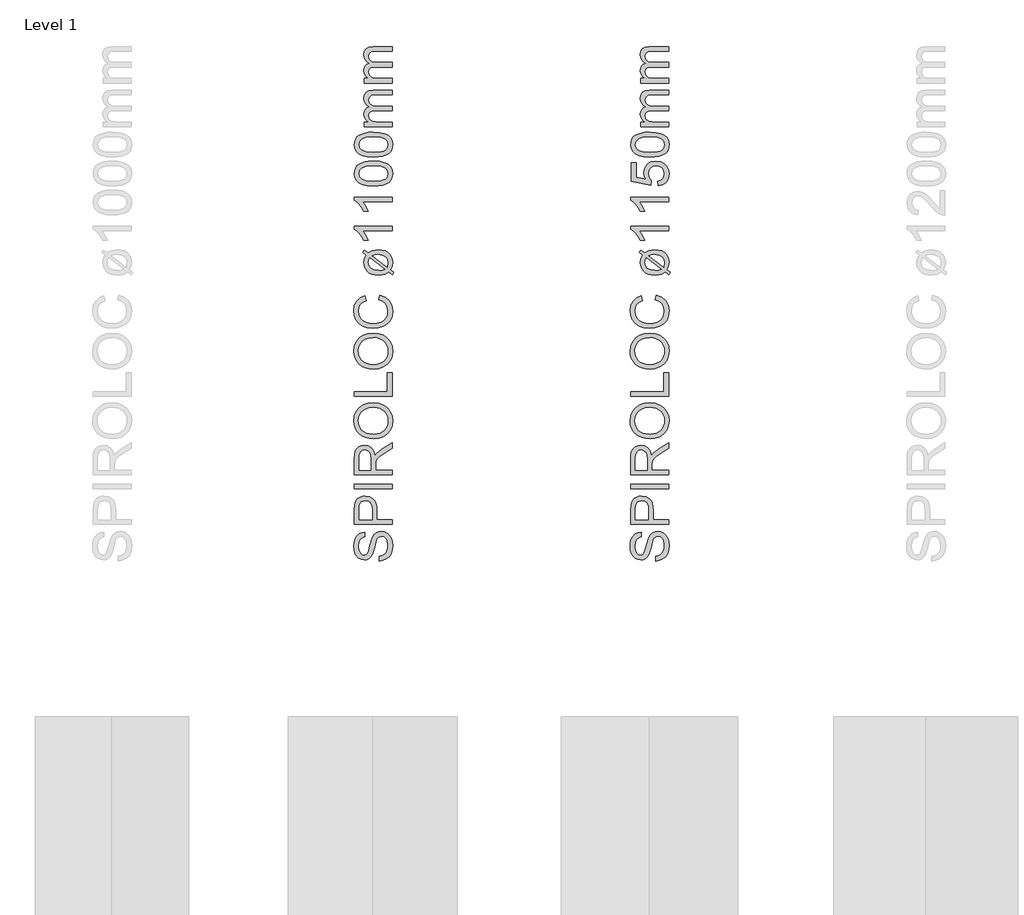
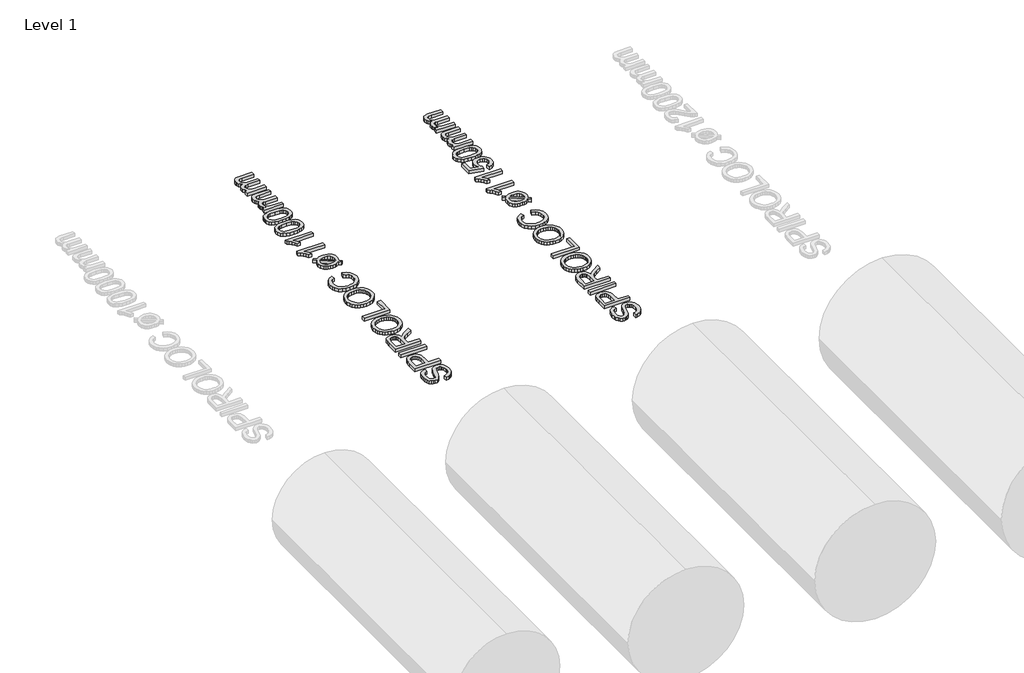
# One storey, part 14 of 19: 2 proxies.
"""IFC4 building model written with IfcOpenShell, lengths in millimetres."""

from ifc_helpers import new_model, si_unit, origin, origin_with_axes, place, context, project, spatial, polyline, outline, extrude, element, save

model = new_model("IFC4")

# Units and contexts
model_context = context("Model", 3, world=origin())
ifc_project = project(units=[si_unit("LENGTHUNIT", "METRE", prefix="MILLI")], contexts=[model_context])

# Site, building, storey
site = spatial("IfcSite", under=ifc_project)
building = spatial("IfcBuilding", under=site)
storey = spatial("IfcBuildingStorey", under=building, Name="Level 1", Elevation=0.0)

# Proxies
placement = place(None, origin())
element("IfcBuildingElementProxy", 1, Name="250mm", ObjectType="250mm", at=placement, inside=storey, context=model_context, shape_type="SweptSolid", body=[
    extrude(outline(polyline([(7188.3043383, 11932.8312074), (7188.3043383, 11963.6004382), (7205.3791581, 11967.1310873), (7219.1036172, 11973.5163036), (7229.9960451, 11983.4772411), (7238.574771, 11997.7350536), (7244.1411773, 12015.1629382), (7245.996646, 12034.6340921), (7240.3776557, 12066.7855344), (7233.7069826, 12078.9474935), (7224.9329441, 12087.5487555), (7214.8593263, 12092.6644406), (7204.2899153, 12094.369669), (7185.0891941, 12089.2614959), (7177.4945427, 12081.479044), (7171.1168383, 12068.3480344), (7159.3680403, 12023.5463517), (7144.1937614, 11975.3191882), (7133.8421989, 11960.002181), (7121.2971268, 11949.1473132), (7106.8289778, 11942.6794647), (7090.7081845, 11940.5235151), (7072.6868504, 11943.190282), (7055.8824633, 11951.1905824), (7041.6396749, 11964.31408), (7031.3031364, 11982.3504382), (7025.0155763, 12004.0000776), (7022.919723, 12027.963419), (7025.1132326, 12053.9249574), (7031.6937614, 12076.6413036), (7042.5260932, 12095.3011594), (7057.4750114, 12109.0932267), (7075.6090258, 12117.822193), (7095.996646, 12121.2927459), (7095.996646, 12090.5235151), (7077.637271, 12084.8744767), (7064.3860691, 12073.0956305), (7056.3632326, 12054.6911834), (7053.6889537, 12029.1653421), (7056.3331845, 12003.0385392), (7064.2658768, 11985.1148613), (7075.9395547, 11974.7482748), (7089.8067422, 11971.2927459), (7101.6306605, 11973.7416642), (7111.1408768, 11981.088419), (7119.6444826, 11998.4562074), (7128.3283768, 12031.3288036), (7143.7730883, 12085.775919), (7154.9359489, 12103.3164839), (7168.7129922, 12115.5535632), (7184.9539778, 12122.7425656), (7203.5086653, 12125.1388998), (7222.4765138, 12122.3819887), (7240.3175595, 12114.1112555), (7255.6721268, 12100.6647411), (7267.1805403, 12082.3804863), (7274.3695427, 12060.392806), (7276.7658768, 12035.8360151), (7274.1817422, 12005.690282), (7266.4293383, 11980.8780824), (7253.4786172, 11961.1139599), (7235.2995307, 11946.1124574), (7213.154098, 11936.4820488), (7188.3043383, 11932.8312074)])), origin_with_axes(), (0.0, 0.0, 1.0), 30.0),
    extrude(outline(polyline([(7272.919723, 12171.2927459), (7026.7658768, 12171.2927459), (7026.7658768, 12262.5187074), (7029.1096268, 12299.2975536), (7033.489134, 12315.6962916), (7040.6180403, 12329.1953901), (7050.8193624, 12340.065282), (7064.4161172, 12348.5763998), (7080.4542783, 12354.0751978), (7097.9798191, 12355.9081305), (7126.9912374, 12350.9577099), (7151.1649153, 12336.1064478), (7160.6826436, 12324.2130434), (7167.481021, 12308.3345127), (7171.5600475, 12288.4708559), (7172.919723, 12264.6220728), (7172.919723, 12202.0619767), (7272.919723, 12202.0619767), (7272.919723, 12171.2927459)]), holes=[polyline([(7142.1504922, 12202.0619767), (7142.1504922, 12266.4249574), (7139.325973, 12293.7086113), (7130.8524153, 12311.7374574), (7117.2556605, 12321.7885392), (7099.0615499, 12325.1388998), (7085.2394345, 12323.1632387), (7073.5807807, 12317.2362555), (7064.8067422, 12308.0941281), (7059.638473, 12296.4730344), (7057.5351076, 12265.7038036), (7057.5351076, 12202.0619767), (7142.1504922, 12202.0619767)])]), origin_with_axes(), (0.0, 0.0, 1.0), 30.0),
    extrude(outline(polyline([(7272.919723, 12402.0619767), (7026.7658768, 12402.0619767), (7026.7658768, 12432.8312074), (7272.919723, 12432.8312074), (7272.919723, 12402.0619767)])), origin_with_axes(), (0.0, 0.0, 1.0), 30.0),
    extrude(outline(polyline([(7272.919723, 12494.369669), (7026.7658768, 12494.369669), (7026.7658768, 12600.4393805), (7028.4260331, 12628.9474935), (7033.4065018, 12649.6881786), (7042.6012133, 12664.8474334), (7056.904098, 12676.6112555), (7074.6399754, 12684.1608349), (7094.1336653, 12686.6773613), (7118.3824633, 12682.5081906), (7138.4846268, 12670.0006786), (7153.2232085, 12648.7792243), (7161.3812614, 12618.4682267), (7174.5423191, 12635.9562074), (7206.2129922, 12660.8961113), (7272.919723, 12701.9417844), (7272.919723, 12666.1845728), (7221.8980883, 12634.1533228), (7188.1240499, 12611.0163036), (7172.168521, 12594.760294), (7166.309146, 12580.1268805), (7165.2274153, 12562.2783228), (7165.2274153, 12525.1388998), (7272.919723, 12525.1388998), (7272.919723, 12494.369669)]), holes=[polyline([(7134.4581845, 12525.1388998), (7134.4581845, 12594.0090921), (7130.1012133, 12629.135294), (7124.4371508, 12640.6887796), (7116.1589057, 12649.0872171), (7106.145384, 12654.2029022), (7095.2754922, 12655.9081305), (7080.2664778, 12652.6554262), (7068.1721268, 12642.8973132), (7060.1943624, 12626.1079502), (7057.5351076, 12601.7614959), (7057.5351076, 12525.1388998), (7134.4581845, 12525.1388998)])]), origin_with_axes(), (0.0, 0.0, 1.0), 30.0),
    extrude(outline(polyline([(7153.0879922, 12728.9850536), (7124.2155463, 12731.0358349), (7098.6559008, 12737.1881786), (7076.4090559, 12747.4420849), (7057.4750114, 12761.7975536), (7042.3570727, 12779.3944587), (7031.5585451, 12799.3726738), (7025.0794285, 12821.732199), (7022.919723, 12846.4730344), (7026.9762133, 12878.759693), (7039.1456845, 12907.7110151), (7058.5717662, 12931.7494767), (7084.3980883, 12949.2975536), (7115.3776557, 12960.0247171), (7150.263473, 12963.6004382), (7185.6150355, 12959.8369166), (7217.0302999, 12948.5463517), (7242.9016941, 12930.3522411), (7261.621646, 12905.8780824), (7272.9798191, 12877.174657), (7276.7658768, 12846.2927459), (7272.5816821, 12813.510294), (7260.029098, 12784.3937074), (7240.2424393, 12760.4153421), (7214.356021, 12743.0475536), (7184.5708648, 12732.5006786), (7153.0879922, 12728.9850536)]), holes=[polyline([(7153.388473, 12759.7542844), (7173.7873612, 12761.2923703), (7191.8950835, 12765.9066281), (7207.71164, 12773.5970578), (7221.2370307, 12784.3636594), (7232.0693624, 12797.4514749), (7239.8067422, 12812.1055464), (7244.4491701, 12828.3258739), (7245.996646, 12846.1124574), (7244.434146, 12864.2032778), (7239.746646, 12880.6151618), (7231.934146, 12895.3481095), (7220.996646, 12908.4021209), (7207.1857987, 12919.0898463), (7190.7532566, 12926.7239358), (7171.6990198, 12931.3043895), (7150.0230883, 12932.8312074), (7122.7845066, 12930.2170248), (7099.2418383, 12922.3744767), (7079.9885331, 12909.5063877), (7065.6180403, 12891.8155824), (7056.6712254, 12870.4739358), (7053.6889537, 12846.6533228), (7059.4356484, 12813.5553661), (7076.6757326, 12785.4153421), (7090.0903209, 12774.1886293), (7107.3473071, 12766.1695488), (7128.4466911, 12761.3581005), (7153.388473, 12759.7542844)])]), origin_with_axes(), (0.0, 0.0, 1.0), 30.0),
    extrude(outline(polyline([(7272.919723, 13005.9081305), (7026.7658768, 13005.9081305), (7026.7658768, 13036.6773613), (7242.1504922, 13036.6773613), (7242.1504922, 13159.7542844), (7272.919723, 13159.7542844), (7272.919723, 13005.9081305)])), origin_with_axes(), (0.0, 0.0, 1.0), 30.0),
    extrude(outline(polyline([(7153.0879922, 13182.8312074), (7124.2155463, 13184.8819887), (7098.6559008, 13191.0343324), (7076.4090559, 13201.2882387), (7057.4750114, 13215.6437074), (7042.3570727, 13233.2406125), (7031.5585451, 13253.2188276), (7025.0794285, 13275.5783529), (7022.919723, 13300.3191882), (7026.9762133, 13332.6058469), (7039.1456845, 13361.557169), (7058.5717662, 13385.5956305), (7084.3980883, 13403.1437074), (7115.3776557, 13413.8708709), (7150.263473, 13417.4465921), (7185.6150355, 13413.6830704), (7217.0302999, 13402.3925055), (7242.9016941, 13384.1983949), (7261.621646, 13359.7242363), (7272.9798191, 13331.0208108), (7276.7658768, 13300.1388998), (7272.5816821, 13267.3564478), (7260.029098, 13238.2398613), (7240.2424393, 13214.2614959), (7214.356021, 13196.8937074), (7184.5708648, 13186.3468324), (7153.0879922, 13182.8312074)]), holes=[polyline([(7153.388473, 13213.6004382), (7173.7873612, 13215.1385242), (7191.8950835, 13219.752782), (7207.71164, 13227.4432117), (7221.2370307, 13238.2098132), (7232.0693624, 13251.2976287), (7239.8067422, 13265.9517002), (7244.4491701, 13282.1720278), (7245.996646, 13299.9586113), (7244.434146, 13318.0494316), (7239.746646, 13334.4613156), (7231.934146, 13349.1942633), (7220.996646, 13362.2482748), (7207.1857987, 13372.9360001), (7190.7532566, 13380.5700897), (7171.6990198, 13385.1505434), (7150.0230883, 13386.6773613), (7122.7845066, 13384.0631786), (7099.2418383, 13376.2206305), (7079.9885331, 13363.3525416), (7065.6180403, 13345.6617363), (7056.6712254, 13324.3200897), (7053.6889537, 13300.4994767), (7059.4356484, 13267.4015199), (7076.6757326, 13239.2614959), (7090.0903209, 13228.0347832), (7107.3473071, 13220.0157026), (7128.4466911, 13215.2042543), (7153.388473, 13213.6004382)])]), origin_with_axes(), (0.0, 0.0, 1.0), 30.0),
    extrude(outline(polyline([(7185.419723, 13632.8312074), (7193.3524153, 13663.6004382), (7229.2072831, 13649.4027219), (7255.4016941, 13627.1220728), (7271.4248311, 13597.8552459), (7276.7658768, 13562.6989959), (7272.7244105, 13527.0093925), (7260.6000114, 13498.666544), (7240.8133528, 13476.9417844), (7213.7851076, 13461.1064478), (7182.0092662, 13451.4384791), (7147.9798191, 13448.2158228), (7112.0873912, 13451.8591522), (7081.0927999, 13462.7891401), (7055.9801196, 13480.4348733), (7037.7334249, 13504.2254382), (7026.6231484, 13532.4405824), (7022.919723, 13563.3600536), (7027.7123912, 13597.096532), (7042.090396, 13624.9886594), (7065.1673191, 13646.1650416), (7096.0567422, 13659.7542844), (7103.388473, 13628.9850536), (7080.9500715, 13618.3179863), (7065.5579441, 13603.744669), (7056.6562013, 13585.0848132), (7053.6889537, 13562.1581305), (7056.9792182, 13535.7308469), (7066.8500114, 13514.0211113), (7082.2646749, 13497.5472531), (7102.1865499, 13486.8276017), (7124.7075835, 13480.9456906), (7147.919723, 13478.9850536), (7176.3452037, 13481.3062675), (7200.9245307, 13488.2699094), (7220.7187013, 13500.1388998), (7234.7887133, 13517.1761594), (7243.1946629, 13537.6013397), (7245.996646, 13559.6340921), (7242.1805403, 13585.3176858), (7230.732223, 13606.7194286), (7211.7718864, 13622.877782), (7185.419723, 13632.8312074)])), origin_with_axes(), (0.0, 0.0, 1.0), 30.0),
    extrude(outline(polyline([(7105.8524153, 13924.8985151), (7081.5735691, 13943.2879382), (7092.7514537, 13957.9513998), (7118.1721268, 13938.6605344), (7144.434146, 13954.1653421), (7183.6168383, 13959.7542844), (7207.1595066, 13958.0077399), (7227.3668383, 13952.7681065), (7244.2388335, 13944.0353841), (7257.7754922, 13931.8095728), (7272.0182807, 13906.8245969), (7276.7658768, 13877.182169), (7272.7244105, 13852.4375776), (7260.6000114, 13830.7278421), (7284.4581845, 13812.6388998), (7273.5206845, 13797.7350536), (7250.7442422, 13815.0427459), (7227.5471268, 13801.0403421), (7207.7454441, 13796.0373373), (7185.4798191, 13794.369669), (7161.593476, 13795.8870969), (7141.2565619, 13800.4393805), (7124.4690769, 13808.0265199), (7111.231021, 13818.6485151), (7094.036009, 13845.0457507), (7088.3043383, 13875.6797651), (7092.5411172, 13900.619669), (7105.8524153, 13924.8985151)]), holes=[polyline([(7127.7274153, 13908.3119767), (7121.2370307, 13892.9273613), (7119.0735691, 13876.8215921), (7123.2277158, 13856.6142603), (7135.6901557, 13839.9826498), (7156.3707446, 13828.8498373), (7185.1793383, 13825.1388998), (7207.5952037, 13827.2873373), (7226.044723, 13833.7326498), (7127.7274153, 13908.3119767)]), polyline([(7143.1120307, 13919.7903421), (7240.888473, 13845.6316882), (7245.996646, 13875.1989959), (7241.9326436, 13896.5331305), (7229.7406364, 13913.7807267), (7209.4356484, 13925.1839719), (7181.0327037, 13928.9850536), (7159.8187614, 13926.6413036), (7143.1120307, 13919.7903421)])]), origin_with_axes(), (0.0, 0.0, 1.0), 30.0),
    extrude(outline(polyline([(7272.919723, 14113.6004382), (7272.919723, 14082.8312074), (7081.0927999, 14082.8312074), (7101.856021, 14053.6845728), (7117.3908768, 14021.2927459), (7088.3043383, 14021.2927459), (7075.1583047, 14045.4589118), (7059.5182807, 14066.3949094), (7042.8866701, 14082.8988156), (7026.7658768, 14093.7687074), (7026.7658768, 14113.6004382), (7272.919723, 14113.6004382)])), origin_with_axes(), (0.0, 0.0, 1.0), 30.0),
    extrude(outline(polyline([(7272.919723, 14302.0619767), (7272.919723, 14271.2927459), (7081.0927999, 14271.2927459), (7101.856021, 14242.1461113), (7117.3908768, 14209.7542844), (7088.3043383, 14209.7542844), (7075.1583047, 14233.9204502), (7059.5182807, 14254.8564478), (7042.8866701, 14271.3603541), (7026.7658768, 14282.2302459), (7026.7658768, 14302.0619767), (7272.919723, 14302.0619767)])), origin_with_axes(), (0.0, 0.0, 1.0), 30.0),
    extrude(outline(polyline([(7151.825973, 14375.1388998), (7112.4254321, 14377.4000175), (7081.0026557, 14384.1833709), (7057.0768744, 14395.4213517), (7040.1673191, 14411.0463517), (7030.1162374, 14431.1710512), (7026.7658768, 14455.9081305), (7028.7490499, 14474.8684671), (7034.6985691, 14491.8456305), (7044.3815619, 14506.0433469), (7057.5651557, 14516.6653421), (7093.9834249, 14531.088419), (7119.1862494, 14535.2801257), (7151.825973, 14536.6773613), (7191.0011533, 14534.4387796), (7222.3488095, 14527.7230344), (7246.2971268, 14516.5526618), (7263.2742903, 14500.9501978), (7273.3929802, 14480.7804262), (7276.7658768, 14455.9081305), (7275.3010331, 14438.9610151), (7270.9065018, 14423.9369767), (7263.5822831, 14410.8360151), (7253.3283768, 14399.6581305), (7234.7924694, 14388.9309671), (7211.6967662, 14381.2687074), (7184.0412674, 14376.6713517), (7151.825973, 14375.1388998)]), holes=[polyline([(7151.7658768, 14405.9081305), (7200.1658167, 14409.5138998), (7216.7204291, 14414.0211113), (7228.1781364, 14420.3312074), (7241.5420186, 14436.4369767), (7245.996646, 14455.9081305), (7241.5269946, 14475.3792844), (7228.1180403, 14491.4850536), (7216.6415529, 14497.7951498), (7200.0906965, 14502.3023613), (7151.7658768, 14505.9081305), (7104.4551797, 14502.4225536), (7087.9550295, 14498.0655824), (7076.2250114, 14491.9658228), (7062.2075835, 14475.8901017), (7057.5351076, 14455.5475536), (7061.6516941, 14436.2867363), (7074.0014537, 14420.8119767), (7086.7718864, 14414.291544), (7103.9894345, 14409.6340921), (7151.7658768, 14405.9081305)])]), origin_with_axes(), (0.0, 0.0, 1.0), 30.0),
    extrude(outline(polyline([(7151.825973, 14563.6004382), (7112.4254321, 14565.861556), (7081.0026557, 14572.6449094), (7057.0768744, 14583.8828901), (7040.1673191, 14599.5078901), (7030.1162374, 14619.6325897), (7026.7658768, 14644.369669), (7028.7490499, 14663.3300055), (7034.6985691, 14680.307169), (7044.3815619, 14694.5048853), (7057.5651557, 14705.1268805), (7093.9834249, 14719.5499574), (7119.1862494, 14723.7416642), (7151.825973, 14725.1388998), (7191.0011533, 14722.900318), (7222.3488095, 14716.1845728), (7246.2971268, 14705.0142002), (7263.2742903, 14689.4117363), (7273.3929802, 14669.2419647), (7276.7658768, 14644.369669), (7275.3010331, 14627.4225536), (7270.9065018, 14612.3985151), (7263.5822831, 14599.2975536), (7253.3283768, 14588.119669), (7234.7924694, 14577.3925055), (7211.6967662, 14569.7302459), (7184.0412674, 14565.1328901), (7151.825973, 14563.6004382)]), holes=[polyline([(7151.7658768, 14594.369669), (7200.1658167, 14597.9754382), (7216.7204291, 14602.4826498), (7228.1781364, 14608.7927459), (7241.5420186, 14624.8985151), (7245.996646, 14644.369669), (7241.5269946, 14663.8408228), (7228.1180403, 14679.9465921), (7216.6415529, 14686.2566882), (7200.0906965, 14690.7638998), (7151.7658768, 14694.369669), (7104.4551797, 14690.8840921), (7087.9550295, 14686.5271209), (7076.2250114, 14680.4273613), (7062.2075835, 14664.3516401), (7057.5351076, 14644.0090921), (7061.6516941, 14624.7482748), (7074.0014537, 14609.2735151), (7086.7718864, 14602.7530824), (7103.9894345, 14598.0956305), (7151.7658768, 14594.369669)])]), origin_with_axes(), (0.0, 0.0, 1.0), 30.0),
    extrude(outline(polyline([(7272.919723, 14759.7542844), (7092.1504922, 14759.7542844), (7092.1504922, 14790.5235151), (7121.8980883, 14790.5235151), (7108.2337254, 14799.7783228), (7097.529098, 14811.6773613), (7090.6105283, 14825.8149815), (7088.3043383, 14841.7855344), (7090.6556004, 14858.8979142), (7097.7093864, 14872.6148613), (7108.9999513, 14882.8612555), (7124.0615499, 14889.5619767), (7108.4177698, 14900.7774214), (7097.2436412, 14913.5703901), (7090.5391641, 14927.9408829), (7088.3043383, 14943.8888998), (7092.0227879, 14967.018407), (7103.1781364, 14984.1232748), (7122.0708648, 14994.6926858), (7149.0014537, 14998.2158228), (7272.919723, 14998.2158228), (7272.919723, 14967.4465921), (7162.2226076, 14967.4465921), (7136.5315018, 14964.5920248), (7123.8812614, 14954.2554863), (7119.0735691, 14936.6773613), (7122.153497, 14920.0081906), (7131.3932807, 14906.4189478), (7147.4239297, 14897.3819887), (7170.8764537, 14894.369669), (7272.919723, 14894.369669), (7272.919723, 14863.6004382), (7158.7971268, 14863.6004382), (7141.3992903, 14861.8200897), (7128.9894345, 14856.479044), (7121.5525355, 14847.0815079), (7119.0735691, 14833.1316882), (7120.7262133, 14821.2777219), (7125.684146, 14810.3552459), (7133.8271749, 14801.3408228), (7145.0351076, 14795.2110151), (7181.7538576, 14790.5235151), (7272.919723, 14790.5235151), (7272.919723, 14759.7542844)])), origin_with_axes(), (0.0, 0.0, 1.0), 30.0),
    extrude(outline(polyline([(7272.919723, 15044.369669), (7092.1504922, 15044.369669), (7092.1504922, 15075.1388998), (7121.8980883, 15075.1388998), (7108.2337254, 15084.3937074), (7097.529098, 15096.2927459), (7090.6105283, 15110.4303661), (7088.3043383, 15126.400919), (7090.6556004, 15143.5132988), (7097.7093864, 15157.2302459), (7108.9999513, 15167.4766401), (7124.0615499, 15174.1773613), (7108.4177698, 15185.392806), (7097.2436412, 15198.1857748), (7090.5391641, 15212.5562675), (7088.3043383, 15228.5042844), (7092.0227879, 15251.6337916), (7103.1781364, 15268.7386594), (7122.0708648, 15279.3080704), (7149.0014537, 15282.8312074), (7272.919723, 15282.8312074), (7272.919723, 15252.0619767), (7162.2226076, 15252.0619767), (7136.5315018, 15249.2074094), (7123.8812614, 15238.8708709), (7119.0735691, 15221.2927459), (7122.153497, 15204.6235752), (7131.3932807, 15191.0343324), (7147.4239297, 15181.9973733), (7170.8764537, 15178.9850536), (7272.919723, 15178.9850536), (7272.919723, 15148.2158228), (7158.7971268, 15148.2158228), (7141.3992903, 15146.4354743), (7128.9894345, 15141.0944286), (7121.5525355, 15131.6968925), (7119.0735691, 15117.7470728), (7120.7262133, 15105.8931065), (7125.684146, 15094.9706305), (7133.8271749, 15085.9562074), (7145.0351076, 15079.8263998), (7181.7538576, 15075.1388998), (7272.919723, 15075.1388998), (7272.919723, 15044.369669)])), origin_with_axes(), (0.0, 0.0, 1.0), 30.0),
])
element("IfcBuildingElementProxy", 2, Name="250mm", ObjectType="250mm", at=placement, inside=storey, context=model_context, shape_type="SweptSolid", body=[
    extrude(outline(polyline([(8988.3043383, 11932.8312074), (8988.3043383, 11963.6004382), (9005.3791581, 11967.1310873), (9019.1036172, 11973.5163036), (9029.9960451, 11983.4772411), (9038.574771, 11997.7350536), (9044.1411773, 12015.1629382), (9045.996646, 12034.6340921), (9040.3776557, 12066.7855344), (9033.7069826, 12078.9474935), (9024.9329441, 12087.5487555), (9014.8593263, 12092.6644406), (9004.2899153, 12094.369669), (8985.0891941, 12089.2614959), (8977.4945427, 12081.479044), (8971.1168383, 12068.3480344), (8959.3680403, 12023.5463517), (8944.1937614, 11975.3191882), (8933.8421989, 11960.002181), (8921.2971268, 11949.1473132), (8906.8289778, 11942.6794647), (8890.7081845, 11940.5235151), (8872.6868504, 11943.190282), (8855.8824633, 11951.1905824), (8841.6396749, 11964.31408), (8831.3031364, 11982.3504382), (8825.0155763, 12004.0000776), (8822.919723, 12027.963419), (8825.1132326, 12053.9249574), (8831.6937614, 12076.6413036), (8842.5260932, 12095.3011594), (8857.4750114, 12109.0932267), (8875.6090258, 12117.822193), (8895.996646, 12121.2927459), (8895.996646, 12090.5235151), (8877.637271, 12084.8744767), (8864.3860691, 12073.0956305), (8856.3632326, 12054.6911834), (8853.6889537, 12029.1653421), (8856.3331845, 12003.0385392), (8864.2658768, 11985.1148613), (8875.9395547, 11974.7482748), (8889.8067422, 11971.2927459), (8901.6306605, 11973.7416642), (8911.1408768, 11981.088419), (8919.6444826, 11998.4562074), (8928.3283768, 12031.3288036), (8943.7730883, 12085.775919), (8954.9359489, 12103.3164839), (8968.7129922, 12115.5535632), (8984.9539778, 12122.7425656), (9003.5086653, 12125.1388998), (9022.4765138, 12122.3819887), (9040.3175595, 12114.1112555), (9055.6721268, 12100.6647411), (9067.1805403, 12082.3804863), (9074.3695427, 12060.392806), (9076.7658768, 12035.8360151), (9074.1817422, 12005.690282), (9066.4293383, 11980.8780824), (9053.4786172, 11961.1139599), (9035.2995307, 11946.1124574), (9013.154098, 11936.4820488), (8988.3043383, 11932.8312074)])), origin_with_axes(), (0.0, 0.0, 1.0), 30.0),
    extrude(outline(polyline([(9072.919723, 12171.2927459), (8826.7658768, 12171.2927459), (8826.7658768, 12262.5187074), (8829.1096268, 12299.2975536), (8833.489134, 12315.6962916), (8840.6180403, 12329.1953901), (8850.8193624, 12340.065282), (8864.4161172, 12348.5763998), (8880.4542783, 12354.0751978), (8897.9798191, 12355.9081305), (8926.9912374, 12350.9577099), (8951.1649153, 12336.1064478), (8960.6826436, 12324.2130434), (8967.481021, 12308.3345127), (8971.5600475, 12288.4708559), (8972.919723, 12264.6220728), (8972.919723, 12202.0619767), (9072.919723, 12202.0619767), (9072.919723, 12171.2927459)]), holes=[polyline([(8942.1504922, 12202.0619767), (8942.1504922, 12266.4249574), (8939.325973, 12293.7086113), (8930.8524153, 12311.7374574), (8917.2556605, 12321.7885392), (8899.0615499, 12325.1388998), (8885.2394345, 12323.1632387), (8873.5807807, 12317.2362555), (8864.8067422, 12308.0941281), (8859.638473, 12296.4730344), (8857.5351076, 12265.7038036), (8857.5351076, 12202.0619767), (8942.1504922, 12202.0619767)])]), origin_with_axes(), (0.0, 0.0, 1.0), 30.0),
    extrude(outline(polyline([(9072.919723, 12402.0619767), (8826.7658768, 12402.0619767), (8826.7658768, 12432.8312074), (9072.919723, 12432.8312074), (9072.919723, 12402.0619767)])), origin_with_axes(), (0.0, 0.0, 1.0), 30.0),
    extrude(outline(polyline([(9072.919723, 12494.369669), (8826.7658768, 12494.369669), (8826.7658768, 12600.4393805), (8828.4260331, 12628.9474935), (8833.4065018, 12649.6881786), (8842.6012133, 12664.8474334), (8856.904098, 12676.6112555), (8874.6399754, 12684.1608349), (8894.1336653, 12686.6773613), (8918.3824633, 12682.5081906), (8938.4846268, 12670.0006786), (8953.2232085, 12648.7792243), (8961.3812614, 12618.4682267), (8974.5423191, 12635.9562074), (9006.2129922, 12660.8961113), (9072.919723, 12701.9417844), (9072.919723, 12666.1845728), (9021.8980883, 12634.1533228), (8988.1240499, 12611.0163036), (8972.168521, 12594.760294), (8966.309146, 12580.1268805), (8965.2274153, 12562.2783228), (8965.2274153, 12525.1388998), (9072.919723, 12525.1388998), (9072.919723, 12494.369669)]), holes=[polyline([(8934.4581845, 12525.1388998), (8934.4581845, 12594.0090921), (8930.1012133, 12629.135294), (8924.4371508, 12640.6887796), (8916.1589057, 12649.0872171), (8906.145384, 12654.2029022), (8895.2754922, 12655.9081305), (8880.2664778, 12652.6554262), (8868.1721268, 12642.8973132), (8860.1943624, 12626.1079502), (8857.5351076, 12601.7614959), (8857.5351076, 12525.1388998), (8934.4581845, 12525.1388998)])]), origin_with_axes(), (0.0, 0.0, 1.0), 30.0),
    extrude(outline(polyline([(8953.0879922, 12728.9850536), (8924.2155463, 12731.0358349), (8898.6559008, 12737.1881786), (8876.4090559, 12747.4420849), (8857.4750114, 12761.7975536), (8842.3570727, 12779.3944587), (8831.5585451, 12799.3726738), (8825.0794285, 12821.732199), (8822.919723, 12846.4730344), (8826.9762133, 12878.759693), (8839.1456845, 12907.7110151), (8858.5717662, 12931.7494767), (8884.3980883, 12949.2975536), (8915.3776557, 12960.0247171), (8950.263473, 12963.6004382), (8985.6150355, 12959.8369166), (9017.0302999, 12948.5463517), (9042.9016941, 12930.3522411), (9061.621646, 12905.8780824), (9072.9798191, 12877.174657), (9076.7658768, 12846.2927459), (9072.5816821, 12813.510294), (9060.029098, 12784.3937074), (9040.2424393, 12760.4153421), (9014.356021, 12743.0475536), (8984.5708648, 12732.5006786), (8953.0879922, 12728.9850536)]), holes=[polyline([(8953.388473, 12759.7542844), (8973.7873612, 12761.2923703), (8991.8950835, 12765.9066281), (9007.71164, 12773.5970578), (9021.2370307, 12784.3636594), (9032.0693624, 12797.4514749), (9039.8067422, 12812.1055464), (9044.4491701, 12828.3258739), (9045.996646, 12846.1124574), (9044.434146, 12864.2032778), (9039.746646, 12880.6151618), (9031.934146, 12895.3481095), (9020.996646, 12908.4021209), (9007.1857987, 12919.0898463), (8990.7532566, 12926.7239358), (8971.6990198, 12931.3043895), (8950.0230883, 12932.8312074), (8922.7845066, 12930.2170248), (8899.2418383, 12922.3744767), (8879.9885331, 12909.5063877), (8865.6180403, 12891.8155824), (8856.6712254, 12870.4739358), (8853.6889537, 12846.6533228), (8859.4356484, 12813.5553661), (8876.6757326, 12785.4153421), (8890.0903209, 12774.1886293), (8907.3473071, 12766.1695488), (8928.4466911, 12761.3581005), (8953.388473, 12759.7542844)])]), origin_with_axes(), (0.0, 0.0, 1.0), 30.0),
    extrude(outline(polyline([(9072.919723, 13005.9081305), (8826.7658768, 13005.9081305), (8826.7658768, 13036.6773613), (9042.1504922, 13036.6773613), (9042.1504922, 13159.7542844), (9072.919723, 13159.7542844), (9072.919723, 13005.9081305)])), origin_with_axes(), (0.0, 0.0, 1.0), 30.0),
    extrude(outline(polyline([(8953.0879922, 13182.8312074), (8924.2155463, 13184.8819887), (8898.6559008, 13191.0343324), (8876.4090559, 13201.2882387), (8857.4750114, 13215.6437074), (8842.3570727, 13233.2406125), (8831.5585451, 13253.2188276), (8825.0794285, 13275.5783529), (8822.919723, 13300.3191882), (8826.9762133, 13332.6058469), (8839.1456845, 13361.557169), (8858.5717662, 13385.5956305), (8884.3980883, 13403.1437074), (8915.3776557, 13413.8708709), (8950.263473, 13417.4465921), (8985.6150355, 13413.6830704), (9017.0302999, 13402.3925055), (9042.9016941, 13384.1983949), (9061.621646, 13359.7242363), (9072.9798191, 13331.0208108), (9076.7658768, 13300.1388998), (9072.5816821, 13267.3564478), (9060.029098, 13238.2398613), (9040.2424393, 13214.2614959), (9014.356021, 13196.8937074), (8984.5708648, 13186.3468324), (8953.0879922, 13182.8312074)]), holes=[polyline([(8953.388473, 13213.6004382), (8973.7873612, 13215.1385242), (8991.8950835, 13219.752782), (9007.71164, 13227.4432117), (9021.2370307, 13238.2098132), (9032.0693624, 13251.2976287), (9039.8067422, 13265.9517002), (9044.4491701, 13282.1720278), (9045.996646, 13299.9586113), (9044.434146, 13318.0494316), (9039.746646, 13334.4613156), (9031.934146, 13349.1942633), (9020.996646, 13362.2482748), (9007.1857987, 13372.9360001), (8990.7532566, 13380.5700897), (8971.6990198, 13385.1505434), (8950.0230883, 13386.6773613), (8922.7845066, 13384.0631786), (8899.2418383, 13376.2206305), (8879.9885331, 13363.3525416), (8865.6180403, 13345.6617363), (8856.6712254, 13324.3200897), (8853.6889537, 13300.4994767), (8859.4356484, 13267.4015199), (8876.6757326, 13239.2614959), (8890.0903209, 13228.0347832), (8907.3473071, 13220.0157026), (8928.4466911, 13215.2042543), (8953.388473, 13213.6004382)])]), origin_with_axes(), (0.0, 0.0, 1.0), 30.0),
    extrude(outline(polyline([(8985.419723, 13632.8312074), (8993.3524153, 13663.6004382), (9029.2072831, 13649.4027219), (9055.4016941, 13627.1220728), (9071.4248311, 13597.8552459), (9076.7658768, 13562.6989959), (9072.7244105, 13527.0093925), (9060.6000114, 13498.666544), (9040.8133528, 13476.9417844), (9013.7851076, 13461.1064478), (8982.0092662, 13451.4384791), (8947.9798191, 13448.2158228), (8912.0873912, 13451.8591522), (8881.0927999, 13462.7891401), (8855.9801196, 13480.4348733), (8837.7334249, 13504.2254382), (8826.6231484, 13532.4405824), (8822.919723, 13563.3600536), (8827.7123912, 13597.096532), (8842.090396, 13624.9886594), (8865.1673191, 13646.1650416), (8896.0567422, 13659.7542844), (8903.388473, 13628.9850536), (8880.9500715, 13618.3179863), (8865.5579441, 13603.744669), (8856.6562013, 13585.0848132), (8853.6889537, 13562.1581305), (8856.9792182, 13535.7308469), (8866.8500114, 13514.0211113), (8882.2646749, 13497.5472531), (8902.1865499, 13486.8276017), (8924.7075835, 13480.9456906), (8947.919723, 13478.9850536), (8976.3452037, 13481.3062675), (9000.9245307, 13488.2699094), (9020.7187013, 13500.1388998), (9034.7887133, 13517.1761594), (9043.1946629, 13537.6013397), (9045.996646, 13559.6340921), (9042.1805403, 13585.3176858), (9030.732223, 13606.7194286), (9011.7718864, 13622.877782), (8985.419723, 13632.8312074)])), origin_with_axes(), (0.0, 0.0, 1.0), 30.0),
    extrude(outline(polyline([(8905.8524153, 13924.8985151), (8881.5735691, 13943.2879382), (8892.7514537, 13957.9513998), (8918.1721268, 13938.6605344), (8944.434146, 13954.1653421), (8983.6168383, 13959.7542844), (9007.1595066, 13958.0077399), (9027.3668383, 13952.7681065), (9044.2388335, 13944.0353841), (9057.7754922, 13931.8095728), (9072.0182807, 13906.8245969), (9076.7658768, 13877.182169), (9072.7244105, 13852.4375776), (9060.6000114, 13830.7278421), (9084.4581845, 13812.6388998), (9073.5206845, 13797.7350536), (9050.7442422, 13815.0427459), (9027.5471268, 13801.0403421), (9007.7454441, 13796.0373373), (8985.4798191, 13794.369669), (8961.593476, 13795.8870969), (8941.2565619, 13800.4393805), (8924.4690769, 13808.0265199), (8911.231021, 13818.6485151), (8894.036009, 13845.0457507), (8888.3043383, 13875.6797651), (8892.5411172, 13900.619669), (8905.8524153, 13924.8985151)]), holes=[polyline([(8927.7274153, 13908.3119767), (8921.2370307, 13892.9273613), (8919.0735691, 13876.8215921), (8923.2277158, 13856.6142603), (8935.6901557, 13839.9826498), (8956.3707446, 13828.8498373), (8985.1793383, 13825.1388998), (9007.5952037, 13827.2873373), (9026.044723, 13833.7326498), (8927.7274153, 13908.3119767)]), polyline([(8943.1120307, 13919.7903421), (9040.888473, 13845.6316882), (9045.996646, 13875.1989959), (9041.9326436, 13896.5331305), (9029.7406364, 13913.7807267), (9009.4356484, 13925.1839719), (8981.0327037, 13928.9850536), (8959.8187614, 13926.6413036), (8943.1120307, 13919.7903421)])]), origin_with_axes(), (0.0, 0.0, 1.0), 30.0),
    extrude(outline(polyline([(9072.919723, 14113.6004382), (9072.919723, 14082.8312074), (8881.0927999, 14082.8312074), (8901.856021, 14053.6845728), (8917.3908768, 14021.2927459), (8888.3043383, 14021.2927459), (8875.1583047, 14045.4589118), (8859.5182807, 14066.3949094), (8842.8866701, 14082.8988156), (8826.7658768, 14093.7687074), (8826.7658768, 14113.6004382), (9072.919723, 14113.6004382)])), origin_with_axes(), (0.0, 0.0, 1.0), 30.0),
    extrude(outline(polyline([(9072.919723, 14302.0619767), (9072.919723, 14271.2927459), (8881.0927999, 14271.2927459), (8901.856021, 14242.1461113), (8917.3908768, 14209.7542844), (8888.3043383, 14209.7542844), (8875.1583047, 14233.9204502), (8859.5182807, 14254.8564478), (8842.8866701, 14271.3603541), (8826.7658768, 14282.2302459), (8826.7658768, 14302.0619767), (9072.919723, 14302.0619767)])), origin_with_axes(), (0.0, 0.0, 1.0), 30.0),
    extrude(outline(polyline([(9007.5351076, 14375.1388998), (9003.6889537, 14405.9081305), (9022.161009, 14411.557169), (9035.3896749, 14421.4129382), (9043.3449033, 14435.4303661), (9045.996646, 14453.5643805), (9042.3082446, 14475.619669), (9031.2430403, 14492.1461113), (9014.0780763, 14502.4676257), (8992.090396, 14505.9081305), (8971.387271, 14502.6854743), (8955.5519345, 14493.0175055), (8945.5008528, 14476.8291041), (8942.1504922, 14454.0451498), (8947.4990499, 14427.0319286), (8961.3812614, 14409.7542844), (8957.5351076, 14378.9850536), (8830.6120307, 14405.9081305), (8830.6120307, 14525.1388998), (8861.3812614, 14525.1388998), (8861.3812614, 14430.7879382), (8929.169723, 14417.6268805), (8915.8283768, 14439.6070488), (8911.3812614, 14462.6388998), (8916.8950835, 14491.3873974), (8933.4365499, 14515.2530824), (8958.6468864, 14531.3212916), (8990.1673191, 14536.6773613), (9020.9365499, 14531.8546449), (9047.2586653, 14517.3864959), (9060.1680703, 14504.6010392), (9069.3890739, 14489.682169), (9074.9216761, 14472.6298853), (9076.7658768, 14453.4441882), (9072.0257927, 14423.2233349), (9057.8055403, 14399.1473132), (9035.7577638, 14382.643407), (9007.5351076, 14375.1388998)])), origin_with_axes(), (0.0, 0.0, 1.0), 30.0),
    extrude(outline(polyline([(8951.825973, 14563.6004382), (8912.4254321, 14565.861556), (8881.0026557, 14572.6449094), (8857.0768744, 14583.8828901), (8840.1673191, 14599.5078901), (8830.1162374, 14619.6325897), (8826.7658768, 14644.369669), (8828.7490499, 14663.3300055), (8834.6985691, 14680.307169), (8844.3815619, 14694.5048853), (8857.5651557, 14705.1268805), (8893.9834249, 14719.5499574), (8919.1862494, 14723.7416642), (8951.825973, 14725.1388998), (8991.0011533, 14722.900318), (9022.3488095, 14716.1845728), (9046.2971268, 14705.0142002), (9063.2742903, 14689.4117363), (9073.3929802, 14669.2419647), (9076.7658768, 14644.369669), (9075.3010331, 14627.4225536), (9070.9065018, 14612.3985151), (9063.5822831, 14599.2975536), (9053.3283768, 14588.119669), (9034.7924694, 14577.3925055), (9011.6967662, 14569.7302459), (8984.0412674, 14565.1328901), (8951.825973, 14563.6004382)]), holes=[polyline([(8951.7658768, 14594.369669), (9000.1658167, 14597.9754382), (9016.7204291, 14602.4826498), (9028.1781364, 14608.7927459), (9041.5420186, 14624.8985151), (9045.996646, 14644.369669), (9041.5269946, 14663.8408228), (9028.1180403, 14679.9465921), (9016.6415529, 14686.2566882), (9000.0906965, 14690.7638998), (8951.7658768, 14694.369669), (8904.4551797, 14690.8840921), (8887.9550295, 14686.5271209), (8876.2250114, 14680.4273613), (8862.2075835, 14664.3516401), (8857.5351076, 14644.0090921), (8861.6516941, 14624.7482748), (8874.0014537, 14609.2735151), (8886.7718864, 14602.7530824), (8903.9894345, 14598.0956305), (8951.7658768, 14594.369669)])]), origin_with_axes(), (0.0, 0.0, 1.0), 30.0),
    extrude(outline(polyline([(9072.919723, 14759.7542844), (8892.1504922, 14759.7542844), (8892.1504922, 14790.5235151), (8921.8980883, 14790.5235151), (8908.2337254, 14799.7783228), (8897.529098, 14811.6773613), (8890.6105283, 14825.8149815), (8888.3043383, 14841.7855344), (8890.6556004, 14858.8979142), (8897.7093864, 14872.6148613), (8908.9999513, 14882.8612555), (8924.0615499, 14889.5619767), (8908.4177698, 14900.7774214), (8897.2436412, 14913.5703901), (8890.5391641, 14927.9408829), (8888.3043383, 14943.8888998), (8892.0227879, 14967.018407), (8903.1781364, 14984.1232748), (8922.0708648, 14994.6926858), (8949.0014537, 14998.2158228), (9072.919723, 14998.2158228), (9072.919723, 14967.4465921), (8962.2226076, 14967.4465921), (8936.5315018, 14964.5920248), (8923.8812614, 14954.2554863), (8919.0735691, 14936.6773613), (8922.153497, 14920.0081906), (8931.3932807, 14906.4189478), (8947.4239297, 14897.3819887), (8970.8764537, 14894.369669), (9072.919723, 14894.369669), (9072.919723, 14863.6004382), (8958.7971268, 14863.6004382), (8941.3992903, 14861.8200897), (8928.9894345, 14856.479044), (8921.5525355, 14847.0815079), (8919.0735691, 14833.1316882), (8920.7262133, 14821.2777219), (8925.684146, 14810.3552459), (8933.8271749, 14801.3408228), (8945.0351076, 14795.2110151), (8981.7538576, 14790.5235151), (9072.919723, 14790.5235151), (9072.919723, 14759.7542844)])), origin_with_axes(), (0.0, 0.0, 1.0), 30.0),
    extrude(outline(polyline([(9072.919723, 15044.369669), (8892.1504922, 15044.369669), (8892.1504922, 15075.1388998), (8921.8980883, 15075.1388998), (8908.2337254, 15084.3937074), (8897.529098, 15096.2927459), (8890.6105283, 15110.4303661), (8888.3043383, 15126.400919), (8890.6556004, 15143.5132988), (8897.7093864, 15157.2302459), (8908.9999513, 15167.4766401), (8924.0615499, 15174.1773613), (8908.4177698, 15185.392806), (8897.2436412, 15198.1857748), (8890.5391641, 15212.5562675), (8888.3043383, 15228.5042844), (8892.0227879, 15251.6337916), (8903.1781364, 15268.7386594), (8922.0708648, 15279.3080704), (8949.0014537, 15282.8312074), (9072.919723, 15282.8312074), (9072.919723, 15252.0619767), (8962.2226076, 15252.0619767), (8936.5315018, 15249.2074094), (8923.8812614, 15238.8708709), (8919.0735691, 15221.2927459), (8922.153497, 15204.6235752), (8931.3932807, 15191.0343324), (8947.4239297, 15181.9973733), (8970.8764537, 15178.9850536), (9072.919723, 15178.9850536), (9072.919723, 15148.2158228), (8958.7971268, 15148.2158228), (8941.3992903, 15146.4354743), (8928.9894345, 15141.0944286), (8921.5525355, 15131.6968925), (8919.0735691, 15117.7470728), (8920.7262133, 15105.8931065), (8925.684146, 15094.9706305), (8933.8271749, 15085.9562074), (8945.0351076, 15079.8263998), (8981.7538576, 15075.1388998), (9072.919723, 15075.1388998), (9072.919723, 15044.369669)])), origin_with_axes(), (0.0, 0.0, 1.0), 30.0),
])

save(model, "model.ifc")
